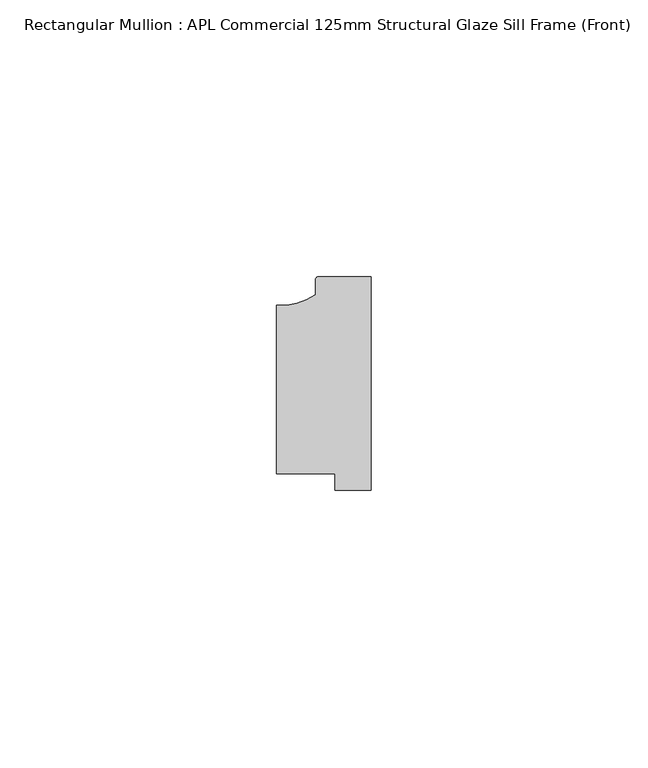
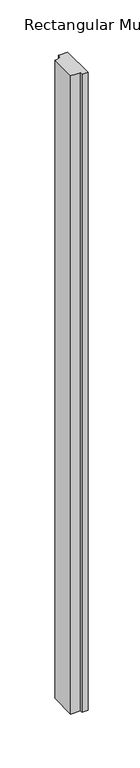
"""IFC4 building model written with IfcOpenShell, lengths in millimetres: member geometry, Rectangular Mullion : APL Commercial 125mm Structural Glaze Sill Frame (Front)."""

from ifc_helpers import new_model, si_unit, point, frame, frame_2d, origin, place, context, project, spatial, polyline, circle_curve, trimmed, segment, composite_curve, outline, extrude, source, transform, mapped, element, save


def rectangular_mullion_apl_commercial_125mm_structural_glaze_a1f9a98b(model_context):
    return source(origin(), model_context, "Body", "SweptSolid", [
        extrude(outline(composite_curve([segment(trimmed(circle_curve(frame_2d((-16.1098048, 25.7977481)), 10.4563907), [point((-16.999942, 15.3793144))], [point((-10.0, 17.3120901))], True, "CARTESIAN"), True, "CONTINUOUS"), segment(polyline([(-10.0, 17.3120901), (-10.0, 19.9980675)]), True, "CONTINUOUS"), segment(trimmed(circle_curve(frame_2d((-9.5000029, 19.99978)), 0.5), [point((-10.0, 19.9980675))], [point((-9.5000029, 20.49978))], False, "CARTESIAN"), True, "CONTINUOUS"), segment(polyline([(-9.5000029, 20.49978), (0.0, 20.49978), (0.0, -18.0281616), (-6.5000029, -18.0281616), (-6.5000029, -15.0004332), (-16.999942, -15.0004332), (-16.999942, 15.3793144)]), True, "CONTINUOUS")], self_intersect=False)), frame((0.0, 0.0, -743.3628625), z_axis=(0.0, 0.0, 1.0), x_axis=(1.0, 0.0, 0.0)), (0.0, 0.0, 1.0), 743.3628625),
    ])


if __name__ == "__main__":
    model = new_model("IFC4")
    model_context = context("Model", 3, world=origin())
    ifc_project = project(units=[si_unit("LENGTHUNIT", "METRE", prefix="MILLI")], contexts=[model_context])
    site = spatial("IfcSite", under=ifc_project)
    building = spatial("IfcBuilding", under=site)
    placement = place(None, origin())
    rectangular_mullion_apl_commercial_125mm_structural_glaze_shape = rectangular_mullion_apl_commercial_125mm_structural_glaze_a1f9a98b(model_context)
    element("IfcMember", 1, ObjectType="Rectangular Mullion : APL Commercial 125mm Structural Glaze Sill Frame (Front)", at=placement, inside=building, context=model_context, shape_type="MappedRepresentation", body=[
        mapped(rectangular_mullion_apl_commercial_125mm_structural_glaze_shape, transform((0.0, 0.0, 0.0), x_axis=(1.0, 0.0, 0.0), y_axis=(0.0, 1.0, 0.0), z_axis=(0.0, 0.0, 1.0))),
    ])
    save(model, "model.ifc")
